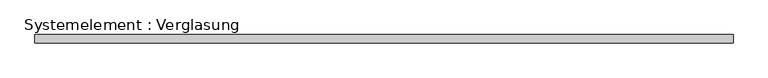
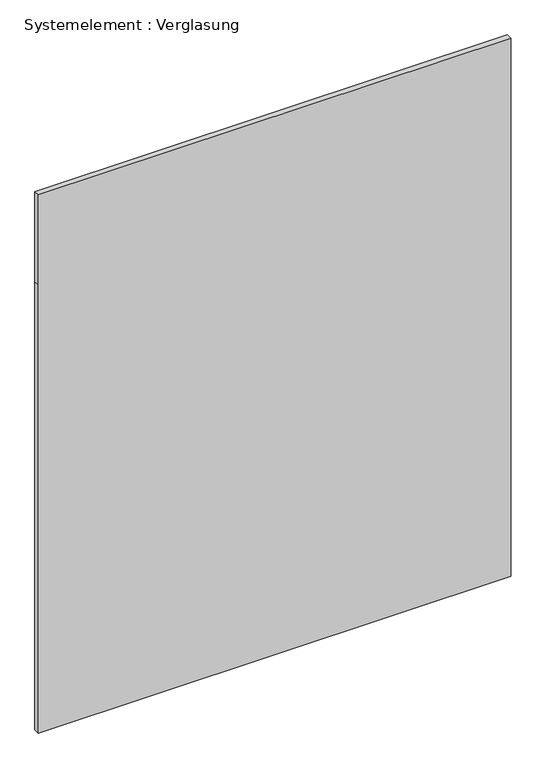
"""IFC4 building model written with IfcOpenShell, lengths in millimetres: plate geometry, Systemelement : Verglasung."""

import ifcopenshell
import ifcopenshell.guid

model = None  # the IFC model being written
_history = None  # IfcOwnerHistory: only IFC2X3 demands one
_inside = {}  # id of a spatial element -> (the spatial element, [elements in it])
_under = {}  # id of a project, library or spatial element -> (it, [spatial elements below it])
_declared = {}  # id of a project -> (the project, [libraries it declares])
_typed = {}  # id of a type object -> (the type object, [elements of that type])
_made_of = {}  # id of a material, layer set ... -> (it, [elements and type objects made of it])


def new_model(schema):
    """Start an empty IFC model of exactly this schema.

    Asked for "IFC4X3", IfcOpenShell would pick the latest addendum, in which some entities
    have other attributes; the version numbers below select the first issue.
    IFC2X3 requires an IfcOwnerHistory on every rooted entity: one is made here for all.
    """
    global model, _history
    if schema == "IFC4X3":
        model = ifcopenshell.file(schema_version=(4, 3, 0, 0))
    else:
        model = ifcopenshell.file(schema=schema)
    _inside.clear()
    _under.clear()
    _declared.clear()
    _typed.clear()
    _made_of.clear()
    _history = None
    if model.schema == "IFC2X3":
        org = make("IfcOrganization", Name="unknown")
        user = make(
            "IfcPersonAndOrganization",
            ThePerson=make("IfcPerson", FamilyName="unknown"),
            TheOrganization=org,
        )
        app = make(
            "IfcApplication",
            ApplicationDeveloper=org,
            Version="unknown",
            ApplicationFullName="unknown",
            ApplicationIdentifier="unknown",
        )
        _history = make(
            "IfcOwnerHistory",
            OwningUser=user,
            OwningApplication=app,
            ChangeAction="ADDED",
            CreationDate=0,
        )
    return model


def make(cls, **values):
    """One entity of the class cls with the attributes given. An attribute that is None is left unset."""
    return model.create_entity(
        cls, **{name: value for name, value in values.items() if value is not None}
    )


def rooted(cls, **values):
    """An entity with a GlobalId (a new one), such as an element, a storey or a relation."""
    return make(cls, GlobalId=ifcopenshell.guid.new(), OwnerHistory=_history, **values)


def si_unit(unit_type, name, prefix=None):
    """IfcSIUnit, for example si_unit("LENGTHUNIT", "METRE", prefix="MILLI")."""
    return make("IfcSIUnit", UnitType=unit_type, Prefix=prefix, Name=name)


def assignment(units):
    """IfcUnitAssignment: the units of a project."""
    return None if units is None else make("IfcUnitAssignment", Units=units)


def point(xyz):
    """IfcCartesianPoint."""
    return None if xyz is None else make("IfcCartesianPoint", Coordinates=xyz)


def direction(xyz):
    """IfcDirection."""
    return None if xyz is None else make("IfcDirection", DirectionRatios=xyz)


def frame(location, z_axis=None, x_axis=None):
    """IfcAxis2Placement3D, a coordinate frame: its origin and axes. An axis left out is left unset."""
    return make(
        "IfcAxis2Placement3D",
        Location=point(location),
        Axis=direction(z_axis),
        RefDirection=direction(x_axis),
    )


def origin():
    """The frame at (0, 0, 0) with its axes left unset."""
    return frame((0.0, 0.0, 0.0))


def place(relative_to, where):
    """IfcLocalPlacement: puts the frame where relative to a parent placement (None: the world)."""
    return make(
        "IfcLocalPlacement", PlacementRelTo=relative_to, RelativePlacement=where
    )


def context(
    kind, dimensions, precision=None, world=None, true_north=None, identifier=None
):
    """IfcGeometricRepresentationContext, for example the 3D "Model" context."""
    return make(
        "IfcGeometricRepresentationContext",
        ContextIdentifier=identifier,
        ContextType=kind,
        CoordinateSpaceDimension=dimensions,
        Precision=precision,
        WorldCoordinateSystem=world,
        TrueNorth=true_north,
    )


def project(units=None, contexts=None):
    """IfcProject with its units and contexts."""
    return rooted(
        "IfcProject",
        Name="project",
        RepresentationContexts=contexts,
        UnitsInContext=assignment(units),
    )


def spatial(cls, under=None, at=None, **own):
    """A site, building, storey or space (cls), placed at a placement, below another one or the project."""
    s = rooted(cls, ObjectPlacement=at, **own)
    if under is not None:
        _under.setdefault(under.id(), (under, []))[1].append(s)
    return s


def polyline(points):
    """IfcPolyline through the points."""
    return make("IfcPolyline", Points=[point(p) for p in points])


def outline(outer, holes=None, kind="AREA"):
    """IfcArbitraryClosedProfileDef: a profile drawn as a closed curve; with holes, ...WithVoids."""
    if holes is None:
        return make("IfcArbitraryClosedProfileDef", ProfileType=kind, OuterCurve=outer)
    return make(
        "IfcArbitraryProfileDefWithVoids",
        ProfileType=kind,
        OuterCurve=outer,
        InnerCurves=holes,
    )


def extrude(swept, where, along, depth):
    """IfcExtrudedAreaSolid: the profile swept, set in the frame where, extruded along a direction by depth."""
    return make(
        "IfcExtrudedAreaSolid",
        SweptArea=swept,
        Position=where,
        ExtrudedDirection=direction(along),
        Depth=depth,
    )


def shape(context_of_items, identifier, shape_type, items):
    """IfcShapeRepresentation: the items that make up one representation, for example the "Body"."""
    return make(
        "IfcShapeRepresentation",
        ContextOfItems=context_of_items,
        RepresentationIdentifier=identifier,
        RepresentationType=shape_type,
        Items=items,
    )


def source(mapping_origin, context_of_items, identifier, shape_type, items):
    """IfcRepresentationMap: a shape defined once, which mapped items show again and again."""
    return make(
        "IfcRepresentationMap",
        MappingOrigin=mapping_origin,
        MappedRepresentation=shape(context_of_items, identifier, shape_type, items),
    )


def transform(
    local_origin,
    x_axis=None,
    y_axis=None,
    z_axis=None,
    scale=None,
    scale2=None,
    scale3=None,
    uniform=True,
):
    """IfcCartesianTransformationOperator3D, or its non-uniform kind. x_axis, y_axis, z_axis: its Axis1, 2, 3."""
    if uniform:
        return make(
            "IfcCartesianTransformationOperator3D",
            Axis1=direction(x_axis),
            Axis2=direction(y_axis),
            LocalOrigin=point(local_origin),
            Scale=scale,
            Axis3=direction(z_axis),
        )
    return make(
        "IfcCartesianTransformationOperator3DnonUniform",
        Axis1=direction(x_axis),
        Axis2=direction(y_axis),
        LocalOrigin=point(local_origin),
        Scale=scale,
        Axis3=direction(z_axis),
        Scale2=scale2,
        Scale3=scale3,
    )


def mapped(mapping_source, mapping_target):
    """IfcMappedItem: shows the shape of a source again, moved by a transform."""
    return make(
        "IfcMappedItem", MappingSource=mapping_source, MappingTarget=mapping_target
    )


def made_of(thing, what):
    """Note that an element or type object is made of a material, layer set ...; save() writes the relation."""
    if what is not None:
        _made_of.setdefault(what.id(), (what, []))[1].append(thing)
    return thing


def element(
    cls,
    number,
    at=None,
    inside=None,
    cuts=None,
    type_object=None,
    material=None,
    context=None,
    identifier="Body",
    shape_type=None,
    held_by="IfcProductDefinitionShape",
    body=None,
    shapes=None,
    **own,
):
    """One element of the class cls, such as IfcWall. Its Tag is "e" and its number.

    at: its placement. inside: the storey or other place that contains it. cuts: it is an
    opening in that element (IfcRelVoidsElement). A single representation is given by context,
    identifier, shape_type and body (its items); several are given by shapes. held_by: the class
    of the entity that holds the representations. save() writes the other relations.
    """
    e = rooted(cls, Tag="e%d" % number, ObjectPlacement=at, **own)
    if body is not None:
        shapes = [shape(context, identifier, shape_type, body)]
    if shapes is not None:
        e.Representation = make(held_by, Representations=shapes)
    if inside is not None:
        _inside.setdefault(inside.id(), (inside, []))[1].append(e)
    if cuts is not None:
        rooted(
            "IfcRelVoidsElement", RelatingBuildingElement=cuts, RelatedOpeningElement=e
        )
    if type_object is not None:
        _typed.setdefault(type_object.id(), (type_object, []))[1].append(e)
    return made_of(e, material)


def aggregate(whole, parts):
    """IfcRelAggregates: a whole, such as a stair, and the parts it consists of."""
    return rooted("IfcRelAggregates", RelatingObject=whole, RelatedObjects=parts)


def save(model, path):
    """Write the relations noted so far, then the file.

    IfcRelAggregates (storeys below a building ...), IfcRelContainedInSpatialStructure (elements
    in a storey), IfcRelDefinesByType, IfcRelAssociatesMaterial and IfcRelDeclares: one each for
    every whole, place, type object, material and project.
    """
    for whole, parts in _under.values():
        aggregate(whole, parts)
    for where, things in _inside.values():
        rooted(
            "IfcRelContainedInSpatialStructure",
            RelatedElements=things,
            RelatingStructure=where,
        )
    for kind, things in _typed.values():
        rooted("IfcRelDefinesByType", RelatedObjects=things, RelatingType=kind)
    for what, things in _made_of.values():
        rooted("IfcRelAssociatesMaterial", RelatedObjects=things, RelatingMaterial=what)
    for by, libraries in _declared.values():
        rooted("IfcRelDeclares", RelatingContext=by, RelatedDefinitions=libraries)
    model.write(path)


def systemelement_verglasung_baae63fd(model_context):
    return source(origin(), model_context, "Body", "SweptSolid", [
        extrude(outline(polyline([(0.0, -1229.9999999), (0.0, 1229.9999999), (2465.0, 1229.9999999), (2960.0, 1229.9999999), (2960.0, -1229.9999999), (2465.0, -1229.9999999), (0.0, -1229.9999999)])), frame((0.0, -15.0, 0.0), z_axis=(0.0, 1.0, 0.0), x_axis=(0.0, 0.0, 1.0)), (0.0, 0.0, 1.0), 30.0),
    ])


if __name__ == "__main__":
    model = new_model("IFC4")
    model_context = context("Model", 3, world=origin())
    ifc_project = project(units=[si_unit("LENGTHUNIT", "METRE", prefix="MILLI")], contexts=[model_context])
    site = spatial("IfcSite", under=ifc_project)
    building = spatial("IfcBuilding", under=site)
    placement = place(None, origin())
    systemelement_verglasung_shape = systemelement_verglasung_baae63fd(model_context)
    element("IfcPlate", 1, ObjectType="Systemelement : Verglasung", at=placement, inside=building, context=model_context, shape_type="MappedRepresentation", body=[
        mapped(systemelement_verglasung_shape, transform((0.0, 0.0, 0.0), x_axis=(1.0, 0.0, 0.0), y_axis=(0.0, 1.0, 0.0), z_axis=(0.0, 0.0, 1.0))),
    ])
    save(model, "model.ifc")
